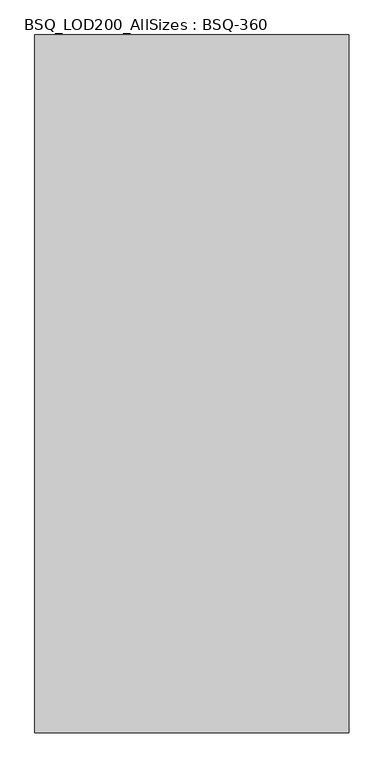
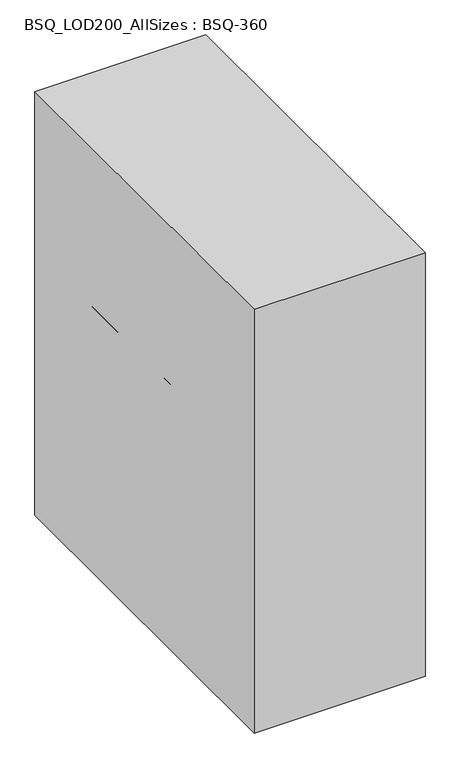
"""IFC4 building model written with IfcOpenShell, lengths in millimetres: proxy geometry, BSQ_LOD200_AllSizes : BSQ-360."""

from ifc_helpers import new_model, si_unit, frame, origin, place, context, project, spatial, polyline, outline, extrude, source, transform, mapped, element, save


def bsq_lod200_allsizes_bsq_360_f55887f5(model_context):
    return source(origin(), model_context, "Body", "SweptSolid", [
        extrude(outline(polyline([(508.0001016, 596.9), (508.0001016, -596.9), (-460.375, -596.9), (-460.375, 596.9), (508.0001016, 596.9)])), frame((0.0, 0.0, 433.8589545), z_axis=(0.0, 0.0, 1.0), x_axis=(1.0, 0.0, 0.0)), (0.0, 0.0, 1.0), 457.2),
        extrude(outline(polyline([(571.5, 608.0125), (571.5, -608.0125), (533.4, -608.0125), (533.4, 608.0125), (571.5, 608.0125)])), frame((0.0, 0.0, -834.5535455), z_axis=(0.0, 0.0, 1.0), x_axis=(1.0, 0.0, 0.0)), (0.0, 0.0, 1.0), 1216.025),
        extrude(outline(polyline([(-533.4, 608.0125), (-533.4, -608.0125), (-571.5, -608.0125), (-571.5, 608.0125), (-533.4, 608.0125)])), frame((0.0, 0.0, -834.5535455), z_axis=(0.0, 0.0, 1.0), x_axis=(1.0, 0.0, 0.0)), (0.0, 0.0, 1.0), 1216.025),
        extrude(outline(polyline([(533.4, 660.4), (533.4, -660.4), (-533.4, -660.4), (-533.4, 660.4), (533.4, 660.4)])), frame((0.0, 0.0, -886.9410455), z_axis=(0.0, 0.0, 1.0), x_axis=(1.0, 0.0, 0.0)), (0.0, 0.0, 1.0), 1320.8),
        extrude(outline(polyline([(571.754, 1270.0), (571.754, -1270.0), (-571.754, -1270.0), (-571.754, 1270.0), (571.754, 1270.0)])), frame((0.0, 0.0, -1496.5410455), z_axis=(0.0, 0.0, 1.0), x_axis=(1.0, 0.0, 0.0)), (0.0, 0.0, 1.0), 2997.2),
    ])


if __name__ == "__main__":
    model = new_model("IFC4")
    model_context = context("Model", 3, world=origin())
    ifc_project = project(units=[si_unit("LENGTHUNIT", "METRE", prefix="MILLI")], contexts=[model_context])
    site = spatial("IfcSite", under=ifc_project)
    building = spatial("IfcBuilding", under=site)
    placement = place(None, origin())
    bsq_lod200_allsizes_bsq_360_shape = bsq_lod200_allsizes_bsq_360_f55887f5(model_context)
    element("IfcBuildingElementProxy", 1, Name="BSQ_LOD200_AllSizes : BSQ-360", ObjectType="BSQ_LOD200_AllSizes : BSQ-360", at=placement, inside=building, context=model_context, shape_type="MappedRepresentation", body=[
        mapped(bsq_lod200_allsizes_bsq_360_shape, transform((0.0, 0.0, 0.0), x_axis=(1.0, 0.0, 0.0), y_axis=(0.0, 1.0, 0.0), z_axis=(0.0, 0.0, 1.0))),
    ])
    save(model, "model.ifc")
